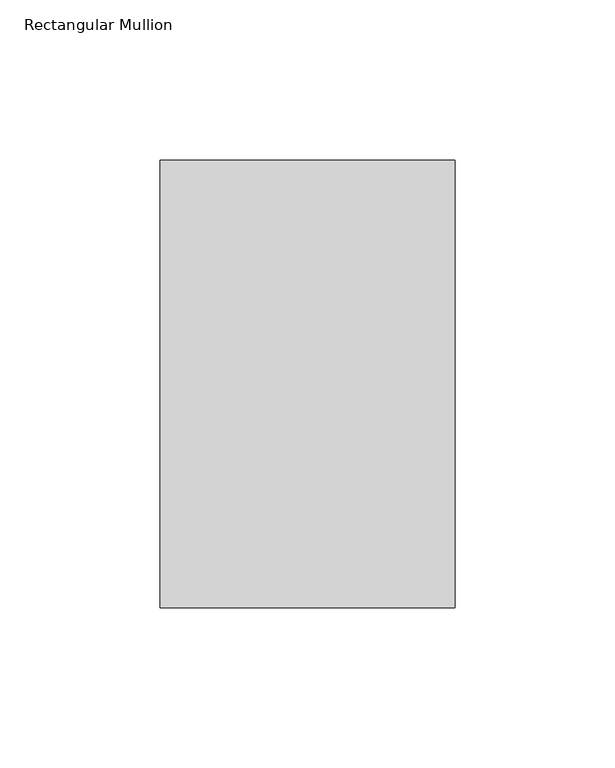
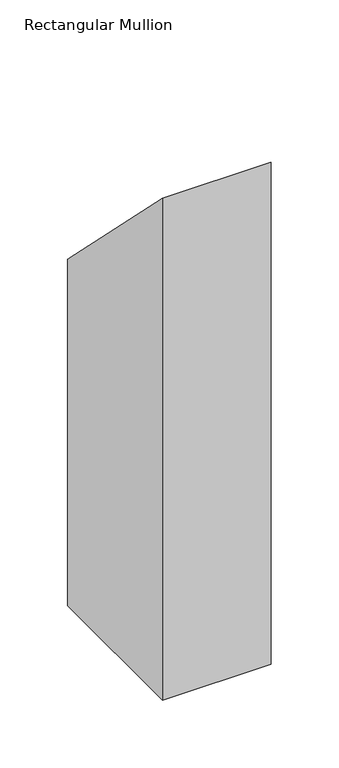
"""IFC4 building model written with IfcOpenShell, lengths in millimetres: member geometry, Rectangular Mullion."""

import ifcopenshell
import ifcopenshell.guid

model = None  # the IFC model being written
_history = None  # IfcOwnerHistory: only IFC2X3 demands one
_inside = {}  # id of a spatial element -> (the spatial element, [elements in it])
_under = {}  # id of a project, library or spatial element -> (it, [spatial elements below it])
_declared = {}  # id of a project -> (the project, [libraries it declares])
_typed = {}  # id of a type object -> (the type object, [elements of that type])
_made_of = {}  # id of a material, layer set ... -> (it, [elements and type objects made of it])


def new_model(schema):
    """Start an empty IFC model of exactly this schema.

    Asked for "IFC4X3", IfcOpenShell would pick the latest addendum, in which some entities
    have other attributes; the version numbers below select the first issue.
    IFC2X3 requires an IfcOwnerHistory on every rooted entity: one is made here for all.
    """
    global model, _history
    if schema == "IFC4X3":
        model = ifcopenshell.file(schema_version=(4, 3, 0, 0))
    else:
        model = ifcopenshell.file(schema=schema)
    _inside.clear()
    _under.clear()
    _declared.clear()
    _typed.clear()
    _made_of.clear()
    _history = None
    if model.schema == "IFC2X3":
        org = make("IfcOrganization", Name="unknown")
        user = make(
            "IfcPersonAndOrganization",
            ThePerson=make("IfcPerson", FamilyName="unknown"),
            TheOrganization=org,
        )
        app = make(
            "IfcApplication",
            ApplicationDeveloper=org,
            Version="unknown",
            ApplicationFullName="unknown",
            ApplicationIdentifier="unknown",
        )
        _history = make(
            "IfcOwnerHistory",
            OwningUser=user,
            OwningApplication=app,
            ChangeAction="ADDED",
            CreationDate=0,
        )
    return model


def make(cls, **values):
    """One entity of the class cls with the attributes given. An attribute that is None is left unset."""
    return model.create_entity(
        cls, **{name: value for name, value in values.items() if value is not None}
    )


def rooted(cls, **values):
    """An entity with a GlobalId (a new one), such as an element, a storey or a relation."""
    return make(cls, GlobalId=ifcopenshell.guid.new(), OwnerHistory=_history, **values)


def si_unit(unit_type, name, prefix=None):
    """IfcSIUnit, for example si_unit("LENGTHUNIT", "METRE", prefix="MILLI")."""
    return make("IfcSIUnit", UnitType=unit_type, Prefix=prefix, Name=name)


def assignment(units):
    """IfcUnitAssignment: the units of a project."""
    return None if units is None else make("IfcUnitAssignment", Units=units)


def point(xyz):
    """IfcCartesianPoint."""
    return None if xyz is None else make("IfcCartesianPoint", Coordinates=xyz)


def direction(xyz):
    """IfcDirection."""
    return None if xyz is None else make("IfcDirection", DirectionRatios=xyz)


def frame(location, z_axis=None, x_axis=None):
    """IfcAxis2Placement3D, a coordinate frame: its origin and axes. An axis left out is left unset."""
    return make(
        "IfcAxis2Placement3D",
        Location=point(location),
        Axis=direction(z_axis),
        RefDirection=direction(x_axis),
    )


def origin():
    """The frame at (0, 0, 0) with its axes left unset."""
    return frame((0.0, 0.0, 0.0))


def place(relative_to, where):
    """IfcLocalPlacement: puts the frame where relative to a parent placement (None: the world)."""
    return make(
        "IfcLocalPlacement", PlacementRelTo=relative_to, RelativePlacement=where
    )


def context(
    kind, dimensions, precision=None, world=None, true_north=None, identifier=None
):
    """IfcGeometricRepresentationContext, for example the 3D "Model" context."""
    return make(
        "IfcGeometricRepresentationContext",
        ContextIdentifier=identifier,
        ContextType=kind,
        CoordinateSpaceDimension=dimensions,
        Precision=precision,
        WorldCoordinateSystem=world,
        TrueNorth=true_north,
    )


def project(units=None, contexts=None):
    """IfcProject with its units and contexts."""
    return rooted(
        "IfcProject",
        Name="project",
        RepresentationContexts=contexts,
        UnitsInContext=assignment(units),
    )


def spatial(cls, under=None, at=None, **own):
    """A site, building, storey or space (cls), placed at a placement, below another one or the project."""
    s = rooted(cls, ObjectPlacement=at, **own)
    if under is not None:
        _under.setdefault(under.id(), (under, []))[1].append(s)
    return s


def polyline(points):
    """IfcPolyline through the points."""
    return make("IfcPolyline", Points=[point(p) for p in points])


def outline(outer, holes=None, kind="AREA"):
    """IfcArbitraryClosedProfileDef: a profile drawn as a closed curve; with holes, ...WithVoids."""
    if holes is None:
        return make("IfcArbitraryClosedProfileDef", ProfileType=kind, OuterCurve=outer)
    return make(
        "IfcArbitraryProfileDefWithVoids",
        ProfileType=kind,
        OuterCurve=outer,
        InnerCurves=holes,
    )


def extrude(swept, where, along, depth):
    """IfcExtrudedAreaSolid: the profile swept, set in the frame where, extruded along a direction by depth."""
    return make(
        "IfcExtrudedAreaSolid",
        SweptArea=swept,
        Position=where,
        ExtrudedDirection=direction(along),
        Depth=depth,
    )


def shape(context_of_items, identifier, shape_type, items):
    """IfcShapeRepresentation: the items that make up one representation, for example the "Body"."""
    return make(
        "IfcShapeRepresentation",
        ContextOfItems=context_of_items,
        RepresentationIdentifier=identifier,
        RepresentationType=shape_type,
        Items=items,
    )


def source(mapping_origin, context_of_items, identifier, shape_type, items):
    """IfcRepresentationMap: a shape defined once, which mapped items show again and again."""
    return make(
        "IfcRepresentationMap",
        MappingOrigin=mapping_origin,
        MappedRepresentation=shape(context_of_items, identifier, shape_type, items),
    )


def transform(
    local_origin,
    x_axis=None,
    y_axis=None,
    z_axis=None,
    scale=None,
    scale2=None,
    scale3=None,
    uniform=True,
):
    """IfcCartesianTransformationOperator3D, or its non-uniform kind. x_axis, y_axis, z_axis: its Axis1, 2, 3."""
    if uniform:
        return make(
            "IfcCartesianTransformationOperator3D",
            Axis1=direction(x_axis),
            Axis2=direction(y_axis),
            LocalOrigin=point(local_origin),
            Scale=scale,
            Axis3=direction(z_axis),
        )
    return make(
        "IfcCartesianTransformationOperator3DnonUniform",
        Axis1=direction(x_axis),
        Axis2=direction(y_axis),
        LocalOrigin=point(local_origin),
        Scale=scale,
        Axis3=direction(z_axis),
        Scale2=scale2,
        Scale3=scale3,
    )


def mapped(mapping_source, mapping_target):
    """IfcMappedItem: shows the shape of a source again, moved by a transform."""
    return make(
        "IfcMappedItem", MappingSource=mapping_source, MappingTarget=mapping_target
    )


def made_of(thing, what):
    """Note that an element or type object is made of a material, layer set ...; save() writes the relation."""
    if what is not None:
        _made_of.setdefault(what.id(), (what, []))[1].append(thing)
    return thing


def element(
    cls,
    number,
    at=None,
    inside=None,
    cuts=None,
    type_object=None,
    material=None,
    context=None,
    identifier="Body",
    shape_type=None,
    held_by="IfcProductDefinitionShape",
    body=None,
    shapes=None,
    **own,
):
    """One element of the class cls, such as IfcWall. Its Tag is "e" and its number.

    at: its placement. inside: the storey or other place that contains it. cuts: it is an
    opening in that element (IfcRelVoidsElement). A single representation is given by context,
    identifier, shape_type and body (its items); several are given by shapes. held_by: the class
    of the entity that holds the representations. save() writes the other relations.
    """
    e = rooted(cls, Tag="e%d" % number, ObjectPlacement=at, **own)
    if body is not None:
        shapes = [shape(context, identifier, shape_type, body)]
    if shapes is not None:
        e.Representation = make(held_by, Representations=shapes)
    if inside is not None:
        _inside.setdefault(inside.id(), (inside, []))[1].append(e)
    if cuts is not None:
        rooted(
            "IfcRelVoidsElement", RelatingBuildingElement=cuts, RelatedOpeningElement=e
        )
    if type_object is not None:
        _typed.setdefault(type_object.id(), (type_object, []))[1].append(e)
    return made_of(e, material)


def aggregate(whole, parts):
    """IfcRelAggregates: a whole, such as a stair, and the parts it consists of."""
    return rooted("IfcRelAggregates", RelatingObject=whole, RelatedObjects=parts)


def save(model, path):
    """Write the relations noted so far, then the file.

    IfcRelAggregates (storeys below a building ...), IfcRelContainedInSpatialStructure (elements
    in a storey), IfcRelDefinesByType, IfcRelAssociatesMaterial and IfcRelDeclares: one each for
    every whole, place, type object, material and project.
    """
    for whole, parts in _under.values():
        aggregate(whole, parts)
    for where, things in _inside.values():
        rooted(
            "IfcRelContainedInSpatialStructure",
            RelatedElements=things,
            RelatingStructure=where,
        )
    for kind, things in _typed.values():
        rooted("IfcRelDefinesByType", RelatedObjects=things, RelatingType=kind)
    for what, things in _made_of.values():
        rooted("IfcRelAssociatesMaterial", RelatedObjects=things, RelatingMaterial=what)
    for by, libraries in _declared.values():
        rooted("IfcRelDeclares", RelatingContext=by, RelatedDefinitions=libraries)
    model.write(path)


def rectangular_mullion_f24dfcd4(model_context):
    return source(origin(), model_context, "Body", "SweptSolid", [
        extrude(outline(polyline([(50.8198168, -50.8198168), (190.4182179, -190.4182179), (190.4182179, -501.3618687), (50.8198168, -501.3618687), (50.8198168, -50.8198168)])), frame((-92.0626246, 0.0, 0.0), z_axis=(1.0, 0.0, 0.0), x_axis=(0.0, 1.0, 0.0)), (0.0, 0.0, 1.0), 92.0626246),
    ])


if __name__ == "__main__":
    model = new_model("IFC4")
    model_context = context("Model", 3, world=origin())
    ifc_project = project(units=[si_unit("LENGTHUNIT", "METRE", prefix="MILLI")], contexts=[model_context])
    site = spatial("IfcSite", under=ifc_project)
    building = spatial("IfcBuilding", under=site)
    placement = place(None, origin())
    rectangular_mullion_shape = rectangular_mullion_f24dfcd4(model_context)
    element("IfcMember", 1, ObjectType="Rectangular Mullion", at=placement, inside=building, context=model_context, shape_type="MappedRepresentation", body=[
        mapped(rectangular_mullion_shape, transform((0.0, 0.0, 0.0), x_axis=(1.0, 0.0, 0.0), y_axis=(0.0, 1.0, 0.0), z_axis=(0.0, 0.0, 1.0))),
    ])
    save(model, "model.ifc")
